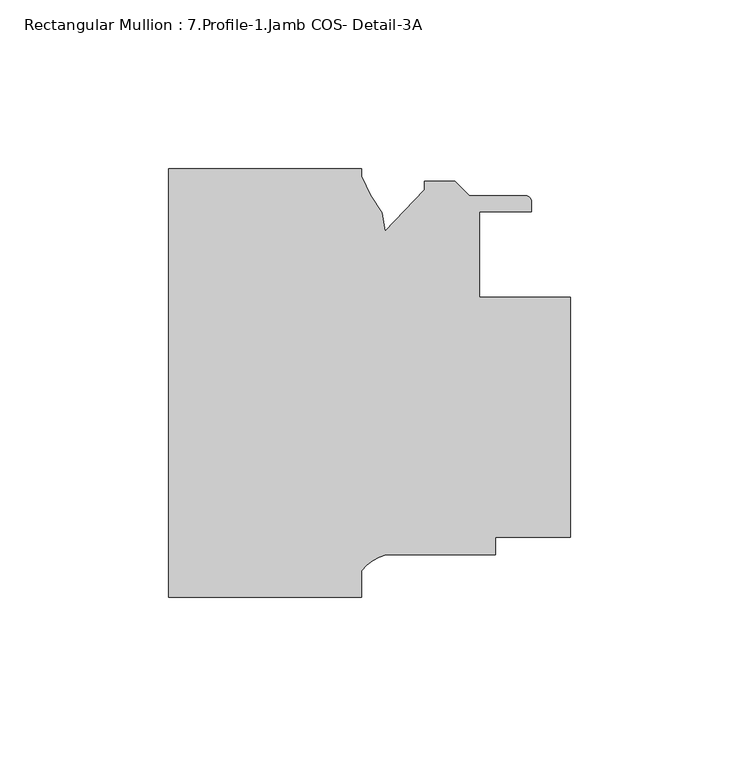
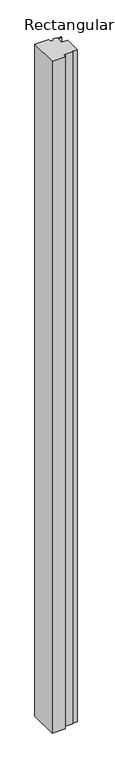
"""IFC4 building model written with IfcOpenShell, lengths in millimetres: member geometry, Rectangular Mullion : 7.Profile-1.Jamb COS- Detail-3A."""

from ifc_helpers import new_model, si_unit, point, frame, frame_2d, origin, place, context, project, spatial, polyline, circle_curve, trimmed, segment, composite_curve, outline, extrude, source, transform, mapped, element, save


def rectangular_mullion_7_profile_1_jamb_cos_detail_3a_b8ad7a07(model_context):
    return source(origin(), model_context, "Body", "SweptSolid", [
        extrude(outline(composite_curve([segment(polyline([(-61.9124999, 0.0), (-61.9124999, -2.2148361)]), True, "CONTINUOUS"), segment(trimmed(circle_curve(frame_2d((-10.2567697, 19.7086056)), 56.1155216), [point((-61.9124999, -2.2148361))], [point((-55.8195555, -13.0478337))], True, "CARTESIAN"), True, "CONTINUOUS"), segment(polyline([(-55.8195555, -13.0478337), (-54.8609038, -18.4846173), (-43.2363504, -6.2788361), (-43.2363504, -3.7388363), (-34.1360582, -3.7388363), (-29.8688582, -8.0060363), (-13.2643504, -8.0060363)]), True, "CONTINUOUS"), segment(trimmed(circle_curve(frame_2d((-13.2643504, -9.7840363)), 1.778), [point((-13.2643504, -8.0060363))], [point((-11.4863504, -9.7840363))], False, "CARTESIAN"), True, "CONTINUOUS"), segment(polyline([(-11.4863504, -9.7840363), (-11.4863504, -12.7050364), (-26.9874999, -12.7050364), (-26.9874999, -38.1050363), (0.0, -38.1050363), (0.0, -109.2250363), (-22.2249999, -109.2250363), (-22.2249999, -114.3050363), (-54.6199873, -114.3050363)]), True, "CONTINUOUS"), segment(trimmed(circle_curve(frame_2d((-51.0928183, -127.5358499)), 13.6928942), [point((-54.6199873, -114.3050363))], [point((-61.9124999, -119.1436011))], True, "CARTESIAN"), True, "CONTINUOUS"), segment(polyline([(-61.9124999, -119.1436011), (-61.9124999, -127.0), (-119.0624999, -127.0), (-119.0624999, 0.0), (-61.9124999, 0.0)]), True, "CONTINUOUS")], self_intersect=False)), frame((0.0, 0.0, -3048.0), z_axis=(0.0, 0.0, 1.0), x_axis=(1.0, 0.0, 0.0)), (0.0, 0.0, 1.0), 3048.0),
    ])


if __name__ == "__main__":
    model = new_model("IFC4")
    model_context = context("Model", 3, world=origin())
    ifc_project = project(units=[si_unit("LENGTHUNIT", "METRE", prefix="MILLI")], contexts=[model_context])
    site = spatial("IfcSite", under=ifc_project)
    building = spatial("IfcBuilding", under=site)
    placement = place(None, origin())
    rectangular_mullion_7_profile_1_jamb_cos_detail_3a_shape = rectangular_mullion_7_profile_1_jamb_cos_detail_3a_b8ad7a07(model_context)
    element("IfcMember", 1, ObjectType="Rectangular Mullion : 7.Profile-1.Jamb COS- Detail-3A", at=placement, inside=building, context=model_context, shape_type="MappedRepresentation", body=[
        mapped(rectangular_mullion_7_profile_1_jamb_cos_detail_3a_shape, transform((0.0, 0.0, 0.0), x_axis=(1.0, 0.0, 0.0), y_axis=(0.0, 1.0, 0.0), z_axis=(0.0, 0.0, 1.0))),
    ])
    save(model, "model.ifc")
